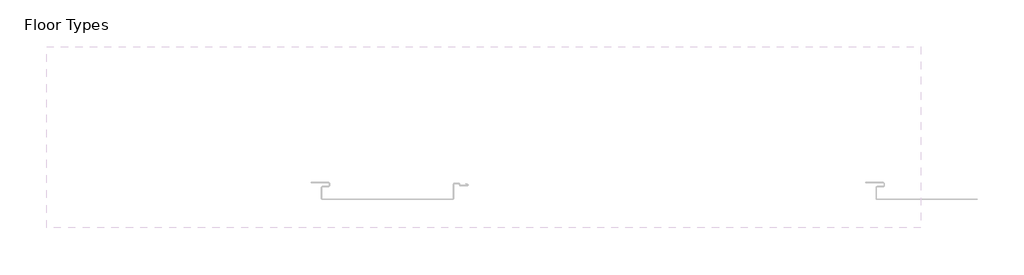
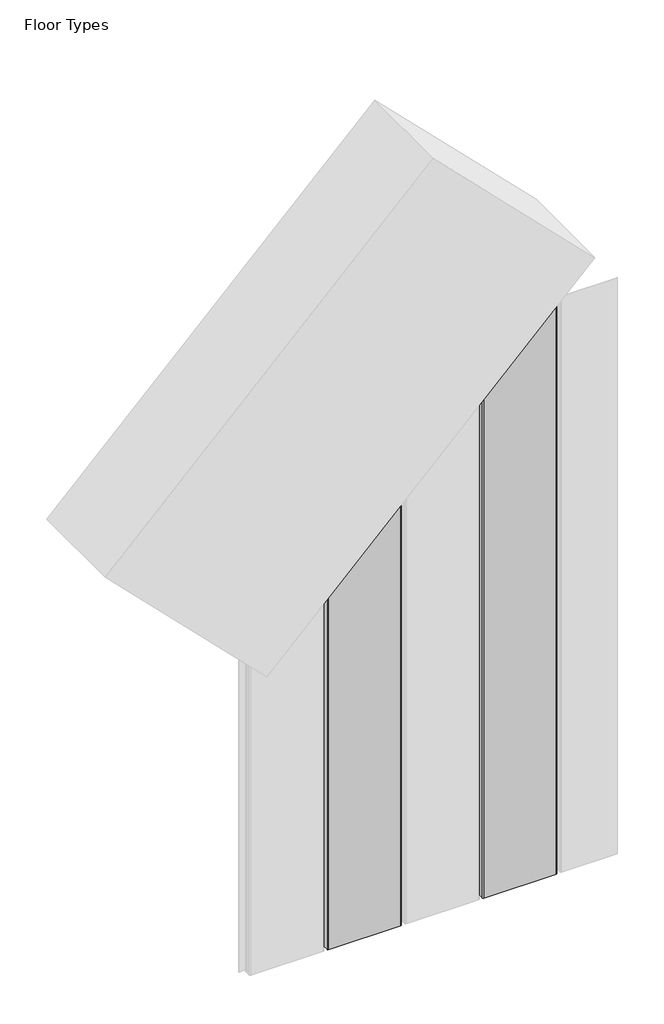
# One storey, part 2 of 3: 2 plates.
"""IFC4 building model written with IfcOpenShell, lengths in millimetres."""

from ifc_helpers import new_model, si_unit, frame, origin, place, context, project, spatial, polyline, circle_curve, ellipse_curve, element, save
from ifc_brep_helpers import plane_surface, cylinder_surface, revolved_surface, advanced_brep

model = new_model("IFC4")

# Units and contexts
model_context = context("Model", 3, world=origin())
ifc_project = project(units=[si_unit("LENGTHUNIT", "METRE", prefix="MILLI")], contexts=[model_context])

# Site, building, storey
site = spatial("IfcSite", under=ifc_project)
building = spatial("IfcBuilding", under=site)
storey = spatial("IfcBuildingStorey", under=building, Name="Floor Types", Elevation=0.0)

# Plates
placement = place(None, origin())
element("IfcPlate", 1, ObjectType="Vt_Wall Panel_12 Inch", at=placement, inside=storey, context=model_context, shape_type="AdvancedBrep", body=[
    advanced_brep(
    [(-2389.5591484, 4779.7472472, 0.0), (-2389.5591484, 4781.8457172, 0.0), (-2389.5591484, 4781.8457172, 2179.0448363), (-2389.5591484, 4779.7472472, 2179.0448363), (-2115.8691394, 4781.1402758, 0.0), (-2114.280166, 4782.7292492, 0.0), (-2114.280166, 4782.7292492, 2400.0), (-2115.8691394, 4781.1402758, 2400.0), (-2105.0292184, 4782.7292492, 0.0), (-2105.0292184, 4782.7292492, 2400.0), (-2103.4501711, 4781.3176067, 0.0), (-2103.4501711, 4781.3176067, 2400.0), (-2103.4141755, 4780.220373, 0.0), (-2103.4141755, 4780.220373, 2400.0), (-2100.955895, 4778.0888345, 0.0), (-2100.955895, 4778.0888345, 2400.0), (-2085.9915133, 4778.0888345, 0.0), (-2085.9915133, 4778.0888345, 2400.0), (-2085.2608557, 4781.2936993, 0.0), (-2085.2608557, 4781.2936993, 2400.0), (-2089.7636489, 4783.0735082, 0.0), (-2089.7636489, 4783.0735082, 2400.0), (-2090.0577238, 4782.329519, 0.0), (-2090.0577238, 4782.329519, 2400.0), (-2085.5890968, 4780.5632149, 0.0), (-2085.5890968, 4780.5632149, 2400.0), (-2085.9948915, 4778.8888345, 0.0), (-2085.9948915, 4778.8888345, 2400.0), (-2100.9534615, 4778.8888345, 0.0), (-2100.9534615, 4778.8888345, 2400.0), (-2102.6228843, 4780.3380937, 0.0), (-2102.6228843, 4780.3380937, 2400.0), (-2102.70422, 4781.6894356, 0.0), (-2102.70422, 4781.6894356, 2400.0), (-2105.0292184, 4783.5292492, 0.0), (-2105.0292184, 4783.5292492, 2400.0), (-2114.280166, 4783.5292492, 0.0), (-2114.280166, 4783.5292492, 2400.0), (-2116.6691394, 4781.1402758, 0.0), (-2116.6691394, 4781.1402758, 2400.0), (-2116.6691394, 4751.1138272, 0.0), (-2116.6691394, 4751.1138272, 2400.0), (-2119.1622494, 4748.6207172, 0.0), (-2119.1622494, 4748.6207172, 2400.0), (-2404.9482734, 4748.6207172, 0.0), (-2404.9482734, 4748.6207172, 2163.6557113), (-2168.6039848, 4748.6207172, 2400.0), (-2407.4413834, 4751.1138272, 0.0), (-2407.4413834, 4751.1138272, 2161.1626013), (-2407.4413834, 4773.3972472, 0.0), (-2407.4413834, 4773.3972472, 2161.1626013), (-2393.5341484, 4785.8207172, 0.0), (-2393.5341484, 4775.7722472, 0.0), (-2405.0663834, 4775.7722472, 0.0), (-2115.8691394, 4751.1138272, 0.0), (-2119.1622494, 4747.8207172, 0.0), (-2404.9482734, 4747.8207172, 0.0), (-2408.2413834, 4751.1138272, 0.0), (-2408.2413834, 4773.3972472, 0.0), (-2405.0663834, 4776.5722472, 0.0), (-2393.5341484, 4776.5722472, 0.0), (-2390.3591484, 4779.7472472, 0.0), (-2390.3591484, 4781.8457172, 0.0), (-2393.5341484, 4785.0207172, 0.0), (-2430.7222884, 4785.0207172, 0.0), (-2430.7222884, 4785.8207172, 0.0), (-2115.8691394, 4751.1138272, 2400.0), (-2119.1622494, 4747.8207172, 2400.0), (-2405.0663834, 4775.7722472, 2163.5376013), (-2393.5341484, 4775.7722472, 2175.0698363), (-2393.5341484, 4785.8207172, 2175.0698363), (-2430.7222884, 4785.8207172, 2137.8816963), (-2430.7222884, 4785.0207172, 2137.8816963), (-2393.5341484, 4785.0207172, 2175.0698363), (-2168.6039848, 4747.8207172, 2400.0), (-2390.3591484, 4781.8457172, 2178.2448363), (-2390.3591484, 4779.7472472, 2178.2448363), (-2393.5341484, 4776.5722472, 2175.0698363), (-2405.0663834, 4776.5722472, 2163.5376013), (-2408.2413834, 4773.3972472, 2160.3626013), (-2408.2413834, 4751.1138272, 2160.3626013), (-2404.9482734, 4747.8207172, 2163.6557113)],
    [
        (0, 1),
        (1, 2),
        (2, 3),
        (3, 0),
        (4, 5, circle_curve(frame((-2114.280166, 4781.1402758, 0.0), z_axis=(0.0, 0.0, -1.0), x_axis=(0.0, 1.0, 0.0)), 1.5889734)),
        (5, 6),
        (6, 7, circle_curve(frame((-2114.280166, 4781.1402758, 2400.0), z_axis=(0.0, 0.0, 1.0), x_axis=(0.0, 1.0, 0.0)), 1.5889734)),
        (7, 4),
        (5, 8),
        (8, 9),
        (9, 6),
        (8, 10, circle_curve(frame((-2105.0292184, 4781.1402758, 0.0), z_axis=(0.0, 0.0, -1.0), x_axis=(0.0, 1.0, 0.0)), 1.5889734)),
        (10, 11),
        (11, 9, circle_curve(frame((-2105.0292184, 4781.1402758, 2400.0), z_axis=(0.0, 0.0, 1.0), x_axis=(0.0, 1.0, 0.0)), 1.5889734)),
        (10, 12),
        (12, 13),
        (13, 11),
        (12, 14, circle_curve(frame((-2100.9420234, 4780.588156, 0.0), z_axis=(0.0, 0.0, 1.0), x_axis=(0.0, 1.0, 0.0)), 2.49936)),
        (14, 15),
        (15, 13, circle_curve(frame((-2100.9420234, 4780.588156, 2400.0), z_axis=(0.0, 0.0, -1.0), x_axis=(0.0, 1.0, 0.0)), 2.49936)),
        (14, 16),
        (16, 17),
        (17, 15),
        (16, 18, circle_curve(frame((-2086.0038161, 4779.7773608, 0.0), z_axis=(0.0, 0.0, 1.0), x_axis=(0.0, 1.0, 0.0)), 1.6885712)),
        (18, 19),
        (19, 17, circle_curve(frame((-2086.0038161, 4779.7773608, 2400.0), z_axis=(0.0, 0.0, -1.0), x_axis=(0.0, 1.0, 0.0)), 1.6885712)),
        (18, 20),
        (20, 21),
        (21, 19),
        (20, 22),
        (22, 23),
        (23, 21),
        (22, 24),
        (24, 25),
        (25, 23),
        (24, 26, circle_curve(frame((-2086.0038161, 4779.7773608, 0.0), z_axis=(0.0, 0.0, -1.0), x_axis=(0.0, 1.0, 0.0)), 0.8885712)),
        (26, 27),
        (27, 25, circle_curve(frame((-2086.0038161, 4779.7773608, 2400.0), z_axis=(0.0, 0.0, 1.0), x_axis=(0.0, 1.0, 0.0)), 0.8885712)),
        (26, 28),
        (28, 29),
        (29, 27),
        (28, 30, circle_curve(frame((-2100.9420234, 4780.588156, 0.0), z_axis=(0.0, 0.0, -1.0), x_axis=(0.0, 1.0, 0.0)), 1.69936)),
        (30, 31),
        (31, 29, circle_curve(frame((-2100.9420234, 4780.588156, 2400.0), z_axis=(0.0, 0.0, 1.0), x_axis=(0.0, 1.0, 0.0)), 1.69936)),
        (30, 32),
        (32, 33),
        (33, 31),
        (32, 34, circle_curve(frame((-2105.0292184, 4781.1402758, 0.0), z_axis=(0.0, 0.0, 1.0), x_axis=(0.0, 1.0, 0.0)), 2.3889734)),
        (34, 35),
        (35, 33, circle_curve(frame((-2105.0292184, 4781.1402758, 2400.0), z_axis=(0.0, 0.0, -1.0), x_axis=(0.0, 1.0, 0.0)), 2.3889734)),
        (34, 36),
        (36, 37),
        (37, 35),
        (36, 38, circle_curve(frame((-2114.280166, 4781.1402758, 0.0), z_axis=(0.0, 0.0, 1.0), x_axis=(0.0, 1.0, 0.0)), 2.3889734)),
        (38, 39),
        (39, 37, circle_curve(frame((-2114.280166, 4781.1402758, 2400.0), z_axis=(0.0, 0.0, -1.0), x_axis=(0.0, 1.0, 0.0)), 2.3889734)),
        (38, 40),
        (40, 41),
        (41, 39),
        (40, 42, circle_curve(frame((-2119.1622494, 4751.1138272, 0.0), z_axis=(0.0, 0.0, -1.0), x_axis=(0.0, 1.0, 0.0)), 2.49311)),
        (42, 43),
        (43, 41, circle_curve(frame((-2119.1622494, 4751.1138272, 2400.0), z_axis=(0.0, 0.0, 1.0), x_axis=(0.0, 1.0, 0.0)), 2.49311)),
        (42, 44),
        (44, 45),
        (45, 46),
        (46, 43),
        (44, 47, circle_curve(frame((-2404.9482734, 4751.1138272, 0.0), z_axis=(0.0, 0.0, -1.0), x_axis=(0.0, 1.0, 0.0)), 2.49311)),
        (47, 48),
        (48, 45, ellipse_curve(frame((-2404.9482734, 4751.1138272, 2163.6557113), z_axis=(-0.7071067811865482, 0.0, 0.7071067811865469), x_axis=(0.7071067811865469, 0.0, 0.707106781186548)), 3.52579, 2.49311)),
        (47, 49),
        (49, 50),
        (50, 48),
        (51, 1, circle_curve(frame((-2393.5341484, 4781.8457172, 0.0), z_axis=(0.0, 0.0, -1.0), x_axis=(0.0, 1.0, 0.0)), 3.975)),
        (0, 52, circle_curve(frame((-2393.5341484, 4779.7472472, 0.0), z_axis=(0.0, 0.0, -1.0), x_axis=(0.0, 1.0, 0.0)), 3.975)),
        (52, 53),
        (53, 49, circle_curve(frame((-2405.0663834, 4773.3972472, 0.0), z_axis=(0.0, 0.0, 1.0), x_axis=(0.0, 1.0, 0.0)), 2.375)),
        (4, 54),
        (54, 55, circle_curve(frame((-2119.1622494, 4751.1138272, 0.0), z_axis=(0.0, 0.0, -1.0), x_axis=(0.0, 1.0, 0.0)), 3.29311)),
        (55, 56),
        (56, 57, circle_curve(frame((-2404.9482734, 4751.1138272, 0.0), z_axis=(0.0, 0.0, -1.0), x_axis=(0.0, 1.0, 0.0)), 3.29311)),
        (57, 58),
        (58, 59, circle_curve(frame((-2405.0663834, 4773.3972472, 0.0), z_axis=(0.0, 0.0, -1.0), x_axis=(0.0, 1.0, 0.0)), 3.175)),
        (59, 60),
        (60, 61, circle_curve(frame((-2393.5341484, 4779.7472472, 0.0), z_axis=(0.0, 0.0, 1.0), x_axis=(0.0, 1.0, 0.0)), 3.175)),
        (61, 62),
        (62, 63, circle_curve(frame((-2393.5341484, 4781.8457172, 0.0), z_axis=(0.0, 0.0, 1.0), x_axis=(0.0, 1.0, 0.0)), 3.175)),
        (63, 64),
        (64, 65),
        (65, 51),
        (54, 66),
        (66, 67, circle_curve(frame((-2119.1622494, 4751.1138272, 2400.0), z_axis=(0.0, 0.0, -1.0), x_axis=(0.0, 1.0, 0.0)), 3.29311)),
        (67, 55),
        (7, 66),
        (53, 68),
        (68, 50, ellipse_curve(frame((-2405.0663834, 4773.3972472, 2163.5376013), z_axis=(-0.7071067811865482, 0.0, 0.7071067811865469), x_axis=(0.7071067811865469, 0.0, 0.707106781186548)), 3.3587572, 2.375)),
        (52, 69),
        (69, 68),
        (3, 69, ellipse_curve(frame((-2393.5341484, 4779.7472472, 2175.0698363), z_axis=(0.7071067811865482, 0.0, -0.7071067811865469), x_axis=(-0.7071067811865469, 0.0, -0.707106781186548)), 5.6214989, 3.975)),
        (51, 70),
        (70, 2, ellipse_curve(frame((-2393.5341484, 4781.8457172, 2175.0698363), z_axis=(0.7071067811865482, 0.0, -0.7071067811865469), x_axis=(-0.7071067811865469, 0.0, -0.707106781186548)), 5.6214989, 3.975)),
        (65, 71),
        (71, 70),
        (64, 72),
        (72, 71),
        (63, 73),
        (73, 72),
        (46, 74),
        (74, 67),
        (62, 75),
        (75, 73, ellipse_curve(frame((-2393.5341484, 4781.8457172, 2175.0698363), z_axis=(-0.7071067811865482, 0.0, 0.7071067811865469), x_axis=(0.7071067811865469, 0.0, 0.707106781186548)), 4.4901281, 3.175)),
        (61, 76),
        (76, 75),
        (60, 77),
        (77, 76, ellipse_curve(frame((-2393.5341484, 4779.7472472, 2175.0698363), z_axis=(-0.7071067811865482, 0.0, 0.7071067811865469), x_axis=(0.7071067811865469, 0.0, 0.707106781186548)), 4.4901281, 3.175)),
        (59, 78),
        (78, 77),
        (58, 79),
        (79, 78, ellipse_curve(frame((-2405.0663834, 4773.3972472, 2163.5376013), z_axis=(0.7071067811865482, 0.0, -0.7071067811865469), x_axis=(-0.7071067811865469, 0.0, -0.707106781186548)), 4.4901281, 3.175)),
        (57, 80),
        (80, 79),
        (56, 81),
        (81, 80, ellipse_curve(frame((-2404.9482734, 4751.1138272, 2163.6557113), z_axis=(0.7071067811865482, 0.0, -0.7071067811865469), x_axis=(-0.7071067811865469, 0.0, -0.707106781186548)), 4.6571608, 3.29311)),
        (74, 81),
    ],
    [
        plane_surface(frame((-2389.5591484, 4779.7472472, 0.0), z_axis=(1.0, 0.0, 0.0), x_axis=(0.0, 0.0, 1.0))),
        revolved_surface(polyline([(-2114.280166, 4782.729249200001, 2400.0), (-2114.280166, 4782.729249200001, 0.0)]), (-2114.280166, 4781.1402758, 0.0), (0.0, 0.0, 1.0)),
        plane_surface(frame((-2114.280166, 4782.7292492, 0.0), z_axis=(0.0, -1.0, 0.0), x_axis=(0.0, 0.0, 1.0))),
        revolved_surface(polyline([(-2105.0292184, 4782.729249200001, 2400.0), (-2105.0292184, 4782.729249200001, 0.0)]), (-2105.0292184, 4781.1402758, 0.0), (0.0, 0.0, 1.0)),
        plane_surface(frame((-2103.4501711, 4781.3176067, 0.0), z_axis=(-0.9994623251085641, -0.032788118100663385, 0.0), x_axis=(0.0, 0.0, 1.0))),
        cylinder_surface(frame((-2100.9420234, 4780.588156, 0.0), z_axis=(0.0, 0.0, -1.0), x_axis=(0.0, 1.0, 0.0)), 2.49936),
        plane_surface(frame((-2100.955895, 4778.0888345, 0.0), z_axis=(0.0, -1.0, 0.0), x_axis=(0.0, 0.0, 1.0))),
        cylinder_surface(frame((-2086.0038161, 4779.7773608, 0.0), z_axis=(0.0, 0.0, -1.0), x_axis=(0.0, 1.0, 0.0)), 1.6885712),
        plane_surface(frame((-2085.2608557, 4781.2936993, 0.0), z_axis=(0.3675936569385999, 0.9299865070948649, 0.0), x_axis=(0.0, 0.0, 1.0))),
        plane_surface(frame((-2089.7636489, 4783.0735082, 0.0), z_axis=(-0.9299865070948644, 0.3675936569386009, 0.0), x_axis=(0.0, 0.0, 1.0))),
        plane_surface(frame((-2090.0577238, 4782.329519, 0.0), z_axis=(-0.3675936569385953, -0.9299865070948666, 0.0), x_axis=(0.0, 0.0, 1.0))),
        revolved_surface(polyline([(-2086.0038161, 4780.665932, 2400.0), (-2086.0038161, 4780.665932, 0.0)]), (-2086.0038161, 4779.7773608, 0.0), (0.0, 0.0, 1.0)),
        plane_surface(frame((-2085.9948915, 4778.8888345, 0.0), z_axis=(0.0, 1.0, 0.0), x_axis=(0.0, 0.0, 1.0))),
        revolved_surface(polyline([(-2100.9420234, 4782.287515999999, 2400.0), (-2100.9420234, 4782.287515999999, 0.0)]), (-2100.9420234, 4780.588156, 0.0), (0.0, 0.0, 1.0)),
        plane_surface(frame((-2102.6228843, 4780.3380937, 0.0), z_axis=(0.9981935578187523, 0.060080122579280935, 0.0), x_axis=(0.0, 0.0, 1.0))),
        cylinder_surface(frame((-2105.0292184, 4781.1402758, 0.0), z_axis=(0.0, 0.0, -1.0), x_axis=(0.0, 1.0, 0.0)), 2.3889734),
        plane_surface(frame((-2105.0292184, 4783.5292492, 0.0), z_axis=(0.0, 1.0, 0.0), x_axis=(0.0, 0.0, 1.0))),
        cylinder_surface(frame((-2114.280166, 4781.1402758, 0.0), z_axis=(0.0, 0.0, -1.0), x_axis=(0.0, 1.0, 0.0)), 2.3889734),
        plane_surface(frame((-2116.6691394, 4781.1402758, 0.0), z_axis=(-1.0, 0.0, 0.0), x_axis=(0.0, 0.0, 1.0))),
        revolved_surface(polyline([(-2119.1622494, 4753.6069372, 2400.0), (-2119.1622494, 4753.6069372, 0.0)]), (-2119.1622494, 4751.1138272, 0.0), (0.0, 0.0, 1.0)),
        plane_surface(frame((-2119.1622494, 4748.6207172, 0.0), z_axis=(0.0, 1.0, 0.0), x_axis=(0.0, 0.0, 1.0))),
        revolved_surface(polyline([(-2404.9482734, 4753.6069372, 2166.1488213180396), (-2404.9482734, 4753.6069372, 0.0)]), (-2404.9482734, 4751.1138272, 0.0), (0.0, 0.0, 1.0)),
        plane_surface(frame((-2407.4413834, 4751.1138272, 0.0), z_axis=(1.0, 0.0, 0.0), x_axis=(0.0, 0.0, 1.0))),
        plane_surface(frame((-2255.7413834, 4747.8207172, 0.0), z_axis=(0.0, 0.0, -1.0), x_axis=(1.0, 0.0, 0.0))),
        cylinder_surface(frame((-2119.1622494, 4751.1138272, 0.0), z_axis=(0.0, 0.0, -1.0), x_axis=(0.0, 1.0, 0.0)), 3.29311),
        plane_surface(frame((-2115.8691394, 4751.1138272, 0.0), z_axis=(1.0, 0.0, 0.0), x_axis=(0.0, 0.0, 1.0))),
        revolved_surface(polyline([(-2405.0663834, 4775.7722472, 2165.912601292479), (-2405.0663834, 4775.7722472, 0.0)]), (-2405.0663834, 4773.3972472, 0.0), (0.0, 0.0, 1.0)),
        plane_surface(frame((-2405.0663834, 4775.7722472, 0.0), z_axis=(0.0, -1.0, 0.0), x_axis=(0.0, 0.0, 1.0))),
        cylinder_surface(frame((-2393.5341484, 4779.7472472, 0.0), z_axis=(0.0, 0.0, -1.0), x_axis=(0.0, 1.0, 0.0)), 3.975),
        cylinder_surface(frame((-2393.5341484, 4781.8457172, 0.0), z_axis=(0.0, 0.0, -1.0), x_axis=(0.0, 1.0, 0.0)), 3.975),
        plane_surface(frame((-2393.5341484, 4785.8207172, 0.0), z_axis=(0.0, 1.0, 0.0), x_axis=(0.0, 0.0, 1.0))),
        plane_surface(frame((-2430.7222884, 4785.8207172, 0.0), z_axis=(-1.0, 0.0, 0.0), x_axis=(0.0, 0.0, 1.0))),
        plane_surface(frame((-2430.7222884, 4785.0207172, 0.0), z_axis=(0.0, -1.0, 0.0), x_axis=(0.0, 0.0, 1.0))),
        plane_surface(frame((-2255.7413834, 4747.8207172, 2400.0), z_axis=(0.0, 0.0, 1.0), x_axis=(1.0, 0.0, 0.0))),
        revolved_surface(polyline([(-2393.5341484, 4785.0207172, 2178.2448363279063), (-2393.5341484, 4785.0207172, 0.0)]), (-2393.5341484, 4781.8457172, 0.0), (0.0, 0.0, 1.0)),
        plane_surface(frame((-2390.3591484, 4781.8457172, 0.0), z_axis=(-1.0, 0.0, 0.0), x_axis=(0.0, 0.0, 1.0))),
        revolved_surface(polyline([(-2393.5341484, 4782.9222472, 2178.2448363279063), (-2393.5341484, 4782.9222472, 0.0)]), (-2393.5341484, 4779.7472472, 0.0), (0.0, 0.0, 1.0)),
        plane_surface(frame((-2393.5341484, 4776.5722472, 0.0), z_axis=(0.0, 1.0, 0.0), x_axis=(0.0, 0.0, 1.0))),
        cylinder_surface(frame((-2405.0663834, 4773.3972472, 0.0), z_axis=(0.0, 0.0, -1.0), x_axis=(0.0, 1.0, 0.0)), 3.175),
        plane_surface(frame((-2408.2413834, 4773.3972472, 0.0), z_axis=(-1.0, 0.0, 0.0), x_axis=(0.0, 0.0, 1.0))),
        cylinder_surface(frame((-2404.9482734, 4751.1138272, 0.0), z_axis=(0.0, 0.0, -1.0), x_axis=(0.0, 1.0, 0.0)), 3.29311),
        plane_surface(frame((-2404.9482734, 4747.8207172, 0.0), z_axis=(0.0, -1.0, 0.0), x_axis=(0.0, 0.0, 1.0))),
        plane_surface(frame((-3296.2321119, 4684.9717556, 1272.3718729), z_axis=(-0.7071067811865482, 0.0, 0.7071067811865469), x_axis=(0.0, 1.0, 0.0))),
    ],
    [
        (0, [[1, 2, 3, 4]]),
        (1, [[5, 6, 7, 8]]),
        (2, [[9, 10, 11, -6]]),
        (3, [[12, 13, 14, -10]]),
        (4, [[15, 16, 17, -13]]),
        (5, [[18, 19, 20, -16]]),
        (6, [[21, 22, 23, -19]]),
        (7, [[24, 25, 26, -22]]),
        (8, [[27, 28, 29, -25]]),
        (9, [[30, 31, 32, -28]]),
        (10, [[33, 34, 35, -31]]),
        (11, [[36, 37, 38, -34]]),
        (12, [[39, 40, 41, -37]]),
        (13, [[42, 43, 44, -40]]),
        (14, [[45, 46, 47, -43]]),
        (15, [[48, 49, 50, -46]]),
        (16, [[51, 52, 53, -49]]),
        (17, [[54, 55, 56, -52]]),
        (18, [[57, 58, 59, -55]]),
        (19, [[60, 61, 62, -58]]),
        (20, [[63, 64, 65, 66, -61]]),
        (21, [[67, 68, 69, -64]]),
        (22, [[70, 71, 72, -68]]),
        (23, [[73, -1, 74, 75, 76, -70, -67, -63, -60, -57, -54, -51, -48, -45, -42, -39, -36, -33, -30, -27, -24, -21, -18, -15, -12, -9, -5, 77, 78, 79, 80, 81, 82, 83, 84, 85, 86, 87, 88, 89]]),
        (24, [[-78, 90, 91, 92]]),
        (25, [[-77, -8, 93, -90]]),
        (26, [[-76, 94, 95, -71]]),
        (27, [[-75, 96, 97, -94]]),
        (28, [[-74, -4, 98, -96]]),
        (29, [[-73, 99, 100, -2]]),
        (30, [[-89, 101, 102, -99]]),
        (31, [[-88, 103, 104, -101]]),
        (32, [[-87, 105, 106, -103]]),
        (33, [[-56, -59, -62, -66, 107, 108, -91, -93, -7, -11, -14, -17, -20, -23, -26, -29, -32, -35, -38, -41, -44, -47, -50, -53]]),
        (34, [[-86, 109, 110, -105]]),
        (35, [[-85, 111, 112, -109]]),
        (36, [[-84, 113, 114, -111]]),
        (37, [[-83, 115, 116, -113]]),
        (38, [[-82, 117, 118, -115]]),
        (39, [[-81, 119, 120, -117]]),
        (40, [[-80, 121, 122, -119]]),
        (41, [[-79, -92, -108, 123, -121]]),
        (42, [[-3, -100, -102, -104, -106, -110, -112, -114, -116, -118, -120, -122, -123, -107, -65, -69, -72, -95, -97, -98]]),
    ],
),
])
element("IfcPlate", 2, ObjectType="Vt_Wall Panel_12 Inch", at=placement, inside=storey, context=model_context, shape_type="AdvancedBrep", body=[
    advanced_brep(
    [(-2731.1622494, 4748.6207172, 0.0), (-3016.9482734, 4748.6207172, 0.0), (-3016.9482734, 4748.6207172, 1551.6557113), (-2731.1622494, 4748.6207172, 1837.4417354), (-3017.0663834, 4776.5722472, 0.0), (-3005.5341484, 4776.5722472, 0.0), (-3002.3591484, 4779.7472472, 0.0), (-3002.3591484, 4781.8457172, 0.0), (-3005.5341484, 4785.0207172, 0.0), (-3042.7222884, 4785.0207172, 0.0), (-3042.7222884, 4785.8207172, 0.0), (-3005.5341484, 4785.8207172, 0.0), (-3001.5591484, 4781.8457172, 0.0), (-3001.5591484, 4779.7472472, 0.0), (-3005.5341484, 4775.7722472, 0.0), (-3017.0663834, 4775.7722472, 0.0), (-3019.4413834, 4773.3972472, 0.0), (-3019.4413834, 4751.1138272, 0.0), (-2728.6691394, 4751.1138272, 0.0), (-2728.6691394, 4781.1402758, 0.0), (-2726.280166, 4783.5292492, 0.0), (-2717.0292184, 4783.5292492, 0.0), (-2714.70422, 4781.6894356, 0.0), (-2714.6228843, 4780.3380937, 0.0), (-2712.9534615, 4778.8888345, 0.0), (-2697.9948915, 4778.8888345, 0.0), (-2697.5890968, 4780.5632149, 0.0), (-2702.0577238, 4782.329519, 0.0), (-2701.7636489, 4783.0735082, 0.0), (-2697.2608557, 4781.2936993, 0.0), (-2697.9915133, 4778.0888345, 0.0), (-2712.955895, 4778.0888345, 0.0), (-2715.4141755, 4780.220373, 0.0), (-2715.4501711, 4781.3176067, 0.0), (-2717.0292184, 4782.7292492, 0.0), (-2726.280166, 4782.7292492, 0.0), (-2727.8691394, 4781.1402758, 0.0), (-2727.8691394, 4751.1138272, 0.0), (-2731.1622494, 4747.8207172, 0.0), (-3016.9482734, 4747.8207172, 0.0), (-3020.2413834, 4751.1138272, 0.0), (-3020.2413834, 4773.3972472, 0.0), (-2727.8691394, 4751.1138272, 1840.7348454), (-2731.1622494, 4747.8207172, 1837.4417354), (-2727.8691394, 4781.1402758, 1840.7348454), (-2726.280166, 4782.7292492, 1842.3238188), (-2717.0292184, 4782.7292492, 1851.5747664), (-2715.4501711, 4781.3176067, 1853.1538137), (-2715.4141755, 4780.220373, 1853.1898092), (-2712.955895, 4778.0888345, 1855.6480898), (-2697.9915133, 4778.0888345, 1870.6124715), (-2697.2608557, 4781.2936993, 1871.3431291), (-2701.7636489, 4783.0735082, 1866.8403359), (-2702.0577238, 4782.329519, 1866.5462609), (-2697.5890968, 4780.5632149, 1871.014888), (-2697.9948915, 4778.8888345, 1870.6090933), (-2712.9534615, 4778.8888345, 1855.6505233), (-2714.6228843, 4780.3380937, 1853.9811005), (-2714.70422, 4781.6894356, 1853.8997648), (-2717.0292184, 4783.5292492, 1851.5747664), (-2726.280166, 4783.5292492, 1842.3238188), (-2728.6691394, 4781.1402758, 1839.9348454), (-2728.6691394, 4751.1138272, 1839.9348454), (-3019.4413834, 4751.1138272, 1549.1626013), (-3019.4413834, 4773.3972472, 1549.1626013), (-3017.0663834, 4775.7722472, 1551.5376013), (-3005.5341484, 4775.7722472, 1563.0698363), (-3001.5591484, 4779.7472472, 1567.0448363), (-3001.5591484, 4781.8457172, 1567.0448363), (-3005.5341484, 4785.8207172, 1563.0698363), (-3042.7222884, 4785.8207172, 1525.8816963), (-3042.7222884, 4785.0207172, 1525.8816963), (-3005.5341484, 4785.0207172, 1563.0698363), (-3002.3591484, 4781.8457172, 1566.2448363), (-3002.3591484, 4779.7472472, 1566.2448363), (-3005.5341484, 4776.5722472, 1563.0698363), (-3017.0663834, 4776.5722472, 1551.5376013), (-3020.2413834, 4773.3972472, 1548.3626013), (-3020.2413834, 4751.1138272, 1548.3626013), (-3016.9482734, 4747.8207172, 1551.6557113)],
    [
        (0, 1),
        (1, 2),
        (2, 3),
        (3, 0),
        (4, 5),
        (5, 6, circle_curve(frame((-3005.5341484, 4779.7472472, 0.0), z_axis=(0.0, 0.0, 1.0), x_axis=(0.0, 1.0, 0.0)), 3.175)),
        (6, 7),
        (7, 8, circle_curve(frame((-3005.5341484, 4781.8457172, 0.0), z_axis=(0.0, 0.0, 1.0), x_axis=(0.0, 1.0, 0.0)), 3.175)),
        (8, 9),
        (9, 10),
        (10, 11),
        (11, 12, circle_curve(frame((-3005.5341484, 4781.8457172, 0.0), z_axis=(0.0, 0.0, -1.0), x_axis=(0.0, 1.0, 0.0)), 3.975)),
        (12, 13),
        (13, 14, circle_curve(frame((-3005.5341484, 4779.7472472, 0.0), z_axis=(0.0, 0.0, -1.0), x_axis=(0.0, 1.0, 0.0)), 3.975)),
        (14, 15),
        (15, 16, circle_curve(frame((-3017.0663834, 4773.3972472, 0.0), z_axis=(0.0, 0.0, 1.0), x_axis=(0.0, 1.0, 0.0)), 2.375)),
        (16, 17),
        (17, 1, circle_curve(frame((-3016.9482734, 4751.1138272, 0.0), z_axis=(0.0, 0.0, 1.0), x_axis=(0.0, 1.0, 0.0)), 2.49311)),
        (0, 18, circle_curve(frame((-2731.1622494, 4751.1138272, 0.0), z_axis=(0.0, 0.0, 1.0), x_axis=(0.0, 1.0, 0.0)), 2.49311)),
        (18, 19),
        (19, 20, circle_curve(frame((-2726.280166, 4781.1402758, 0.0), z_axis=(0.0, 0.0, -1.0), x_axis=(0.0, 1.0, 0.0)), 2.3889734)),
        (20, 21),
        (21, 22, circle_curve(frame((-2717.0292184, 4781.1402758, 0.0), z_axis=(0.0, 0.0, -1.0), x_axis=(0.0, 1.0, 0.0)), 2.3889734)),
        (22, 23),
        (23, 24, circle_curve(frame((-2712.9420234, 4780.588156, 0.0), z_axis=(0.0, 0.0, 1.0), x_axis=(0.0, 1.0, 0.0)), 1.69936)),
        (24, 25),
        (25, 26, circle_curve(frame((-2698.0038161, 4779.7773608, 0.0), z_axis=(0.0, 0.0, 1.0), x_axis=(0.0, 1.0, 0.0)), 0.8885712)),
        (26, 27),
        (27, 28),
        (28, 29),
        (29, 30, circle_curve(frame((-2698.0038161, 4779.7773608, 0.0), z_axis=(0.0, 0.0, -1.0), x_axis=(0.0, 1.0, 0.0)), 1.6885712)),
        (30, 31),
        (31, 32, circle_curve(frame((-2712.9420234, 4780.588156, 0.0), z_axis=(0.0, 0.0, -1.0), x_axis=(0.0, 1.0, 0.0)), 2.49936)),
        (32, 33),
        (33, 34, circle_curve(frame((-2717.0292184, 4781.1402758, 0.0), z_axis=(0.0, 0.0, 1.0), x_axis=(0.0, 1.0, 0.0)), 1.5889734)),
        (34, 35),
        (35, 36, circle_curve(frame((-2726.280166, 4781.1402758, 0.0), z_axis=(0.0, 0.0, 1.0), x_axis=(0.0, 1.0, 0.0)), 1.5889734)),
        (36, 37),
        (37, 38, circle_curve(frame((-2731.1622494, 4751.1138272, 0.0), z_axis=(0.0, 0.0, -1.0), x_axis=(0.0, 1.0, 0.0)), 3.29311)),
        (38, 39),
        (39, 40, circle_curve(frame((-3016.9482734, 4751.1138272, 0.0), z_axis=(0.0, 0.0, -1.0), x_axis=(0.0, 1.0, 0.0)), 3.29311)),
        (40, 41),
        (41, 4, circle_curve(frame((-3017.0663834, 4773.3972472, 0.0), z_axis=(0.0, 0.0, -1.0), x_axis=(0.0, 1.0, 0.0)), 3.175)),
        (37, 42),
        (42, 43, ellipse_curve(frame((-2731.1622494, 4751.1138272, 1837.4417354), z_axis=(0.7071067811865482, 0.0, -0.7071067811865469), x_axis=(-0.7071067811865469, 0.0, -0.707106781186548)), 4.6571608, 3.29311)),
        (43, 38),
        (36, 44),
        (44, 42),
        (35, 45),
        (45, 44, ellipse_curve(frame((-2726.280166, 4781.1402758, 1842.3238188), z_axis=(-0.7071067811865482, 0.0, 0.7071067811865469), x_axis=(0.7071067811865469, 0.0, 0.707106781186548)), 2.2471477, 1.5889734)),
        (34, 46),
        (46, 45),
        (33, 47),
        (47, 46, ellipse_curve(frame((-2717.0292184, 4781.1402758, 1851.5747664), z_axis=(-0.7071067811865482, 0.0, 0.7071067811865469), x_axis=(0.7071067811865469, 0.0, 0.707106781186548)), 2.2471477, 1.5889734)),
        (32, 48),
        (48, 47),
        (31, 49),
        (49, 48, ellipse_curve(frame((-2712.9420234, 4780.588156, 1855.6619613), z_axis=(0.7071067811865482, 0.0, -0.7071067811865469), x_axis=(-0.7071067811865469, 0.0, -0.707106781186548)), 3.5346288, 2.49936)),
        (30, 50),
        (50, 49),
        (29, 51),
        (51, 50, ellipse_curve(frame((-2698.0038161, 4779.7773608, 1870.6001686), z_axis=(0.7071067811865482, 0.0, -0.7071067811865469), x_axis=(-0.7071067811865469, 0.0, -0.707106781186548)), 2.3880003, 1.6885712)),
        (28, 52),
        (52, 51),
        (27, 53),
        (53, 52),
        (26, 54),
        (54, 53),
        (25, 55),
        (55, 54, ellipse_curve(frame((-2698.0038161, 4779.7773608, 1870.6001686), z_axis=(-0.7071067811865482, 0.0, 0.7071067811865469), x_axis=(0.7071067811865469, 0.0, 0.707106781186548)), 1.2566294, 0.8885712)),
        (24, 56),
        (56, 55),
        (23, 57),
        (57, 56, ellipse_curve(frame((-2712.9420234, 4780.588156, 1855.6619613), z_axis=(-0.7071067811865482, 0.0, 0.7071067811865469), x_axis=(0.7071067811865469, 0.0, 0.707106781186548)), 2.403258, 1.69936)),
        (22, 58),
        (58, 57),
        (21, 59),
        (59, 58, ellipse_curve(frame((-2717.0292184, 4781.1402758, 1851.5747664), z_axis=(0.7071067811865482, 0.0, -0.7071067811865469), x_axis=(-0.7071067811865469, 0.0, -0.707106781186548)), 3.3785186, 2.3889734)),
        (20, 60),
        (60, 59),
        (19, 61),
        (61, 60, ellipse_curve(frame((-2726.280166, 4781.1402758, 1842.3238188), z_axis=(0.7071067811865482, 0.0, -0.7071067811865469), x_axis=(-0.7071067811865469, 0.0, -0.707106781186548)), 3.3785186, 2.3889734)),
        (18, 62),
        (62, 61),
        (3, 62, ellipse_curve(frame((-2731.1622494, 4751.1138272, 1837.4417354), z_axis=(-0.7071067811865482, 0.0, 0.7071067811865469), x_axis=(0.7071067811865469, 0.0, 0.707106781186548)), 3.52579, 2.49311)),
        (17, 63),
        (63, 2, ellipse_curve(frame((-3016.9482734, 4751.1138272, 1551.6557113), z_axis=(-0.7071067811865482, 0.0, 0.7071067811865469), x_axis=(0.7071067811865469, 0.0, 0.707106781186548)), 3.52579, 2.49311)),
        (16, 64),
        (64, 63),
        (15, 65),
        (65, 64, ellipse_curve(frame((-3017.0663834, 4773.3972472, 1551.5376013), z_axis=(-0.7071067811865482, 0.0, 0.7071067811865469), x_axis=(0.7071067811865469, 0.0, 0.707106781186548)), 3.3587572, 2.375)),
        (14, 66),
        (66, 65),
        (13, 67),
        (67, 66, ellipse_curve(frame((-3005.5341484, 4779.7472472, 1563.0698363), z_axis=(0.7071067811865482, 0.0, -0.7071067811865469), x_axis=(-0.7071067811865469, 0.0, -0.707106781186548)), 5.6214989, 3.975)),
        (12, 68),
        (68, 67),
        (11, 69),
        (69, 68, ellipse_curve(frame((-3005.5341484, 4781.8457172, 1563.0698363), z_axis=(0.7071067811865482, 0.0, -0.7071067811865469), x_axis=(-0.7071067811865469, 0.0, -0.707106781186548)), 5.6214989, 3.975)),
        (10, 70),
        (70, 69),
        (9, 71),
        (71, 70),
        (8, 72),
        (72, 71),
        (7, 73),
        (73, 72, ellipse_curve(frame((-3005.5341484, 4781.8457172, 1563.0698363), z_axis=(-0.7071067811865482, 0.0, 0.7071067811865469), x_axis=(0.7071067811865469, 0.0, 0.707106781186548)), 4.4901281, 3.175)),
        (6, 74),
        (74, 73),
        (5, 75),
        (75, 74, ellipse_curve(frame((-3005.5341484, 4779.7472472, 1563.0698363), z_axis=(-0.7071067811865482, 0.0, 0.7071067811865469), x_axis=(0.7071067811865469, 0.0, 0.707106781186548)), 4.4901281, 3.175)),
        (4, 76),
        (76, 75),
        (41, 77),
        (77, 76, ellipse_curve(frame((-3017.0663834, 4773.3972472, 1551.5376013), z_axis=(0.7071067811865482, 0.0, -0.7071067811865469), x_axis=(-0.7071067811865469, 0.0, -0.707106781186548)), 4.4901281, 3.175)),
        (40, 78),
        (78, 77),
        (39, 79),
        (79, 78, ellipse_curve(frame((-3016.9482734, 4751.1138272, 1551.6557113), z_axis=(0.7071067811865482, 0.0, -0.7071067811865469), x_axis=(-0.7071067811865469, 0.0, -0.707106781186548)), 4.6571608, 3.29311)),
        (43, 79),
    ],
    [
        plane_surface(frame((-2731.1622494, 4748.6207172, 0.0), z_axis=(0.0, 1.0, 0.0), x_axis=(0.0, 0.0, 1.0))),
        plane_surface(frame((-2867.7413834, 4747.8207172, 0.0), z_axis=(0.0, 0.0, -1.0), x_axis=(1.0, 0.0, 0.0))),
        cylinder_surface(frame((-2731.1622494, 4751.1138272, 0.0), z_axis=(0.0, 0.0, -1.0), x_axis=(0.0, 1.0, 0.0)), 3.29311),
        plane_surface(frame((-2727.8691394, 4751.1138272, 0.0), z_axis=(1.0, 0.0, 0.0), x_axis=(0.0, 0.0, 1.0))),
        revolved_surface(polyline([(-2726.280166, 4782.729249200001, 1843.9127921769978), (-2726.280166, 4782.729249200001, 0.0)]), (-2726.280166, 4781.1402758, 0.0), (0.0, 0.0, 1.0)),
        plane_surface(frame((-2726.280166, 4782.7292492, 0.0), z_axis=(0.0, -1.0, 0.0), x_axis=(0.0, 0.0, 1.0))),
        revolved_surface(polyline([(-2717.0292184, 4782.729249200001, 1853.1637397769978), (-2717.0292184, 4782.729249200001, 0.0)]), (-2717.0292184, 4781.1402758, 0.0), (0.0, 0.0, 1.0)),
        plane_surface(frame((-2715.4501711, 4781.3176067, 0.0), z_axis=(-0.9994623251085641, -0.032788118100663385, 0.0), x_axis=(0.0, 0.0, 1.0))),
        cylinder_surface(frame((-2712.9420234, 4780.588156, 0.0), z_axis=(0.0, 0.0, -1.0), x_axis=(0.0, 1.0, 0.0)), 2.49936),
        plane_surface(frame((-2712.955895, 4778.0888345, 0.0), z_axis=(0.0, -1.0, 0.0), x_axis=(0.0, 0.0, 1.0))),
        cylinder_surface(frame((-2698.0038161, 4779.7773608, 0.0), z_axis=(0.0, 0.0, -1.0), x_axis=(0.0, 1.0, 0.0)), 1.6885712),
        plane_surface(frame((-2697.2608557, 4781.2936993, 0.0), z_axis=(0.3675936569385999, 0.9299865070948649, 0.0), x_axis=(0.0, 0.0, 1.0))),
        plane_surface(frame((-2701.7636489, 4783.0735082, 0.0), z_axis=(-0.9299865070948644, 0.3675936569386009, 0.0), x_axis=(0.0, 0.0, 1.0))),
        plane_surface(frame((-2702.0577238, 4782.329519, 0.0), z_axis=(-0.3675936569385953, -0.9299865070948666, 0.0), x_axis=(0.0, 0.0, 1.0))),
        revolved_surface(polyline([(-2698.0038161, 4780.665932, 1871.4887397701784), (-2698.0038161, 4780.665932, 0.0)]), (-2698.0038161, 4779.7773608, 0.0), (0.0, 0.0, 1.0)),
        plane_surface(frame((-2697.9948915, 4778.8888345, 0.0), z_axis=(0.0, 1.0, 0.0), x_axis=(0.0, 0.0, 1.0))),
        revolved_surface(polyline([(-2712.9420234, 4782.287515999999, 1857.3613213287408), (-2712.9420234, 4782.287515999999, 0.0)]), (-2712.9420234, 4780.588156, 0.0), (0.0, 0.0, 1.0)),
        plane_surface(frame((-2714.6228843, 4780.3380937, 0.0), z_axis=(0.9981935578187523, 0.060080122579280935, 0.0), x_axis=(0.0, 0.0, 1.0))),
        cylinder_surface(frame((-2717.0292184, 4781.1402758, 0.0), z_axis=(0.0, 0.0, -1.0), x_axis=(0.0, 1.0, 0.0)), 2.3889734),
        plane_surface(frame((-2717.0292184, 4783.5292492, 0.0), z_axis=(0.0, 1.0, 0.0), x_axis=(0.0, 0.0, 1.0))),
        cylinder_surface(frame((-2726.280166, 4781.1402758, 0.0), z_axis=(0.0, 0.0, -1.0), x_axis=(0.0, 1.0, 0.0)), 2.3889734),
        plane_surface(frame((-2728.6691394, 4781.1402758, 0.0), z_axis=(-1.0, 0.0, 0.0), x_axis=(0.0, 0.0, 1.0))),
        revolved_surface(polyline([(-2731.1622494, 4753.6069372, 1839.9348454180397), (-2731.1622494, 4753.6069372, 0.0)]), (-2731.1622494, 4751.1138272, 0.0), (0.0, 0.0, 1.0)),
        revolved_surface(polyline([(-3016.9482734, 4753.6069372, 1554.1488213180396), (-3016.9482734, 4753.6069372, 0.0)]), (-3016.9482734, 4751.1138272, 0.0), (0.0, 0.0, 1.0)),
        plane_surface(frame((-3019.4413834, 4751.1138272, 0.0), z_axis=(1.0, 0.0, 0.0), x_axis=(0.0, 0.0, 1.0))),
        revolved_surface(polyline([(-3017.0663834, 4775.7722472, 1553.9126012924792), (-3017.0663834, 4775.7722472, 0.0)]), (-3017.0663834, 4773.3972472, 0.0), (0.0, 0.0, 1.0)),
        plane_surface(frame((-3017.0663834, 4775.7722472, 0.0), z_axis=(0.0, -1.0, 0.0), x_axis=(0.0, 0.0, 1.0))),
        cylinder_surface(frame((-3005.5341484, 4779.7472472, 0.0), z_axis=(0.0, 0.0, -1.0), x_axis=(0.0, 1.0, 0.0)), 3.975),
        plane_surface(frame((-3001.5591484, 4779.7472472, 0.0), z_axis=(1.0, 0.0, 0.0), x_axis=(0.0, 0.0, 1.0))),
        cylinder_surface(frame((-3005.5341484, 4781.8457172, 0.0), z_axis=(0.0, 0.0, -1.0), x_axis=(0.0, 1.0, 0.0)), 3.975),
        plane_surface(frame((-3005.5341484, 4785.8207172, 0.0), z_axis=(0.0, 1.0, 0.0), x_axis=(0.0, 0.0, 1.0))),
        plane_surface(frame((-3042.7222884, 4785.8207172, 0.0), z_axis=(-1.0, 0.0, 0.0), x_axis=(0.0, 0.0, 1.0))),
        plane_surface(frame((-3042.7222884, 4785.0207172, 0.0), z_axis=(0.0, -1.0, 0.0), x_axis=(0.0, 0.0, 1.0))),
        revolved_surface(polyline([(-3005.5341484, 4785.0207172, 1566.2448363279061), (-3005.5341484, 4785.0207172, 0.0)]), (-3005.5341484, 4781.8457172, 0.0), (0.0, 0.0, 1.0)),
        plane_surface(frame((-3002.3591484, 4781.8457172, 0.0), z_axis=(-1.0, 0.0, 0.0), x_axis=(0.0, 0.0, 1.0))),
        revolved_surface(polyline([(-3005.5341484, 4782.9222472, 1566.2448363279061), (-3005.5341484, 4782.9222472, 0.0)]), (-3005.5341484, 4779.7472472, 0.0), (0.0, 0.0, 1.0)),
        plane_surface(frame((-3005.5341484, 4776.5722472, 0.0), z_axis=(0.0, 1.0, 0.0), x_axis=(0.0, 0.0, 1.0))),
        cylinder_surface(frame((-3017.0663834, 4773.3972472, 0.0), z_axis=(0.0, 0.0, -1.0), x_axis=(0.0, 1.0, 0.0)), 3.175),
        plane_surface(frame((-3020.2413834, 4773.3972472, 0.0), z_axis=(-1.0, 0.0, 0.0), x_axis=(0.0, 0.0, 1.0))),
        cylinder_surface(frame((-3016.9482734, 4751.1138272, 0.0), z_axis=(0.0, 0.0, -1.0), x_axis=(0.0, 1.0, 0.0)), 3.29311),
        plane_surface(frame((-3016.9482734, 4747.8207172, 0.0), z_axis=(0.0, -1.0, 0.0), x_axis=(0.0, 0.0, 1.0))),
        plane_surface(frame((-3296.2321119, 4684.9717556, 1272.3718729), z_axis=(-0.7071067811865482, 0.0, 0.7071067811865469), x_axis=(0.0, 1.0, 0.0))),
    ],
    [
        (0, [[1, 2, 3, 4]]),
        (1, [[5, 6, 7, 8, 9, 10, 11, 12, 13, 14, 15, 16, 17, 18, -1, 19, 20, 21, 22, 23, 24, 25, 26, 27, 28, 29, 30, 31, 32, 33, 34, 35, 36, 37, 38, 39, 40, 41, 42, 43]]),
        (2, [[-39, 44, 45, 46]]),
        (3, [[-38, 47, 48, -44]]),
        (4, [[-37, 49, 50, -47]]),
        (5, [[-36, 51, 52, -49]]),
        (6, [[-35, 53, 54, -51]]),
        (7, [[-34, 55, 56, -53]]),
        (8, [[-33, 57, 58, -55]]),
        (9, [[-32, 59, 60, -57]]),
        (10, [[-31, 61, 62, -59]]),
        (11, [[-30, 63, 64, -61]]),
        (12, [[-29, 65, 66, -63]]),
        (13, [[-28, 67, 68, -65]]),
        (14, [[-27, 69, 70, -67]]),
        (15, [[-26, 71, 72, -69]]),
        (16, [[-25, 73, 74, -71]]),
        (17, [[-24, 75, 76, -73]]),
        (18, [[-23, 77, 78, -75]]),
        (19, [[-22, 79, 80, -77]]),
        (20, [[-21, 81, 82, -79]]),
        (21, [[-20, 83, 84, -81]]),
        (22, [[-19, -4, 85, -83]]),
        (23, [[-18, 86, 87, -2]]),
        (24, [[-17, 88, 89, -86]]),
        (25, [[-16, 90, 91, -88]]),
        (26, [[-15, 92, 93, -90]]),
        (27, [[-14, 94, 95, -92]]),
        (28, [[-13, 96, 97, -94]]),
        (29, [[-12, 98, 99, -96]]),
        (30, [[-11, 100, 101, -98]]),
        (31, [[-10, 102, 103, -100]]),
        (32, [[-9, 104, 105, -102]]),
        (33, [[-8, 106, 107, -104]]),
        (34, [[-7, 108, 109, -106]]),
        (35, [[-6, 110, 111, -108]]),
        (36, [[-5, 112, 113, -110]]),
        (37, [[-43, 114, 115, -112]]),
        (38, [[-42, 116, 117, -114]]),
        (39, [[-41, 118, 119, -116]]),
        (40, [[-40, -46, 120, -118]]),
        (41, [[-3, -87, -89, -91, -93, -95, -97, -99, -101, -103, -105, -107, -109, -111, -113, -115, -117, -119, -120, -45, -48, -50, -52, -54, -56, -58, -60, -62, -64, -66, -68, -70, -72, -74, -76, -78, -80, -82, -84, -85]]),
    ],
),
])

save(model, "model.ifc")
